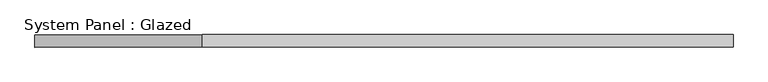
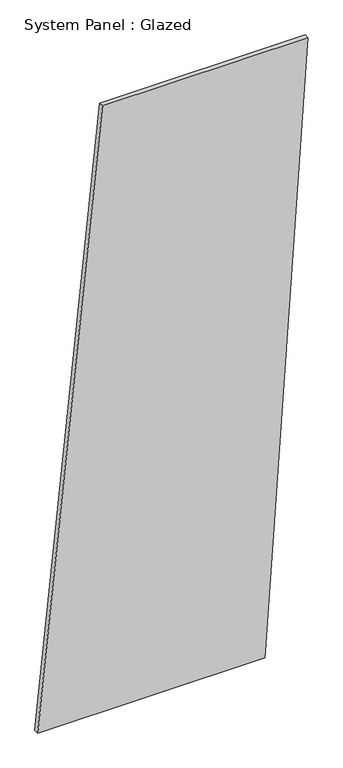
"""IFC4 building model written with IfcOpenShell, lengths in millimetres: plate geometry, System Panel : Glazed."""

from ifc_helpers import new_model, si_unit, frame, origin, place, context, project, spatial, polyline, outline, extrude, source, transform, mapped, element, save


def system_panel_glazed_f8514f3a(model_context):
    return source(origin(), model_context, "Body", "SweptSolid", [
        extrude(outline(polyline([(0.0, -704.7689641), (0.0, 479.4742062), (3336.1930123, 704.7689641), (3336.1930123, -366.8268272), (0.0, -704.7689641)])), frame((0.0, -49.5, 0.0), z_axis=(0.0, 1.0, 0.0), x_axis=(0.0, 0.0, 1.0)), (0.0, 0.0, 1.0), 25.0),
    ])


if __name__ == "__main__":
    model = new_model("IFC4")
    model_context = context("Model", 3, world=origin())
    ifc_project = project(units=[si_unit("LENGTHUNIT", "METRE", prefix="MILLI")], contexts=[model_context])
    site = spatial("IfcSite", under=ifc_project)
    building = spatial("IfcBuilding", under=site)
    placement = place(None, origin())
    system_panel_glazed_shape = system_panel_glazed_f8514f3a(model_context)
    element("IfcPlate", 1, ObjectType="System Panel : Glazed", at=placement, inside=building, context=model_context, shape_type="MappedRepresentation", body=[
        mapped(system_panel_glazed_shape, transform((0.0, 0.0, 0.0), x_axis=(1.0, 0.0, 0.0), y_axis=(0.0, 1.0, 0.0), z_axis=(0.0, 0.0, 1.0))),
    ])
    save(model, "model.ifc")
